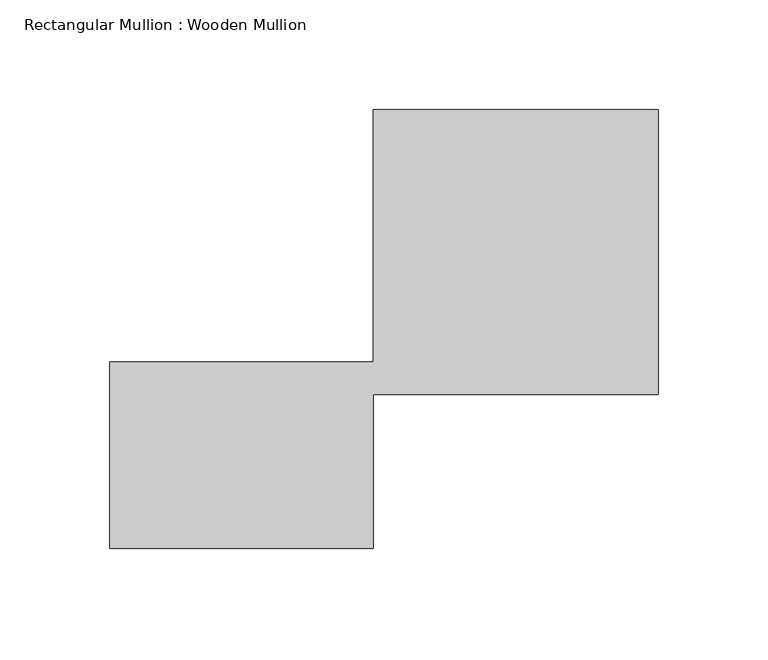
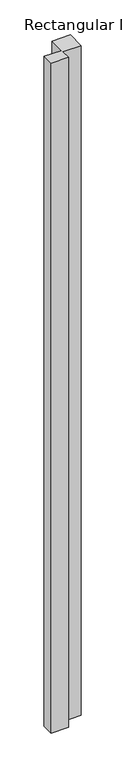
"""IFC4 building model written with IfcOpenShell, lengths in millimetres: member geometry, Rectangular Mullion : Wooden Mullion."""

from ifc_helpers import new_model, si_unit, frame, origin, place, context, project, spatial, polyline, outline, extrude, source, transform, mapped, element, save


def rectangular_mullion_wooden_mullion_3d048e4d(model_context):
    return source(origin(), model_context, "Body", "SweptSolid", [
        extrude(outline(polyline([(74.8100006, -26.0137344), (-45.1899994, -26.0137344), (-45.1899994, 58.9862656), (74.8100006, 58.9862656), (74.8100006, 173.9862656), (204.8100006, 173.9862656), (204.8100006, 43.9862656), (74.8100006, 43.9862656), (74.8100006, -26.0137344)])), frame((0.0, 0.0, -4948.9089264), z_axis=(0.0, 0.0, 1.0), x_axis=(1.0, 0.0, 0.0)), (0.0, 0.0, 1.0), 4948.9089264),
    ])


if __name__ == "__main__":
    model = new_model("IFC4")
    model_context = context("Model", 3, world=origin())
    ifc_project = project(units=[si_unit("LENGTHUNIT", "METRE", prefix="MILLI")], contexts=[model_context])
    site = spatial("IfcSite", under=ifc_project)
    building = spatial("IfcBuilding", under=site)
    placement = place(None, origin())
    rectangular_mullion_wooden_mullion_shape = rectangular_mullion_wooden_mullion_3d048e4d(model_context)
    element("IfcMember", 1, ObjectType="Rectangular Mullion : Wooden Mullion", at=placement, inside=building, context=model_context, shape_type="MappedRepresentation", body=[
        mapped(rectangular_mullion_wooden_mullion_shape, transform((0.0, 0.0, 0.0), x_axis=(1.0, 0.0, 0.0), y_axis=(0.0, 1.0, 0.0), z_axis=(0.0, 0.0, 1.0))),
    ])
    save(model, "model.ifc")
